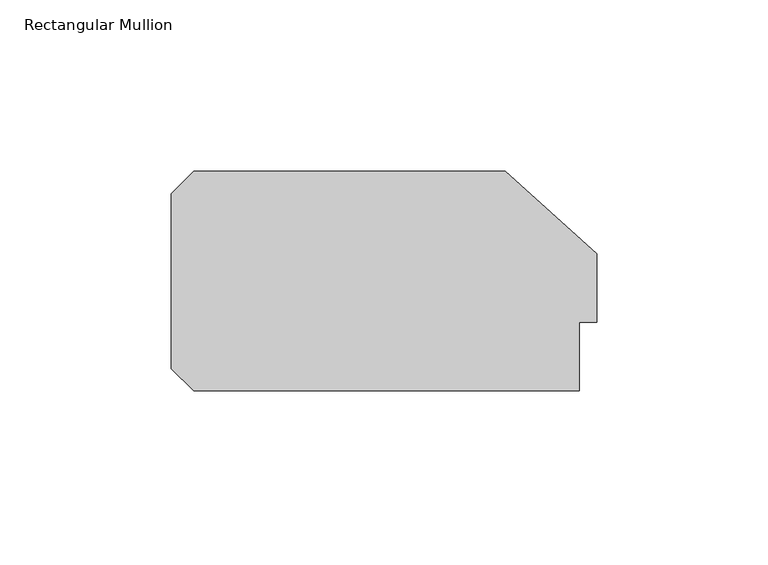
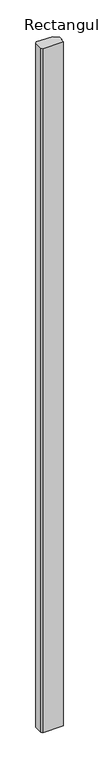
"""IFC4 building model written with IfcOpenShell, lengths in millimetres: member geometry, Rectangular Mullion."""

from ifc_helpers import new_model, si_unit, frame, origin, place, context, project, spatial, polyline, outline, extrude, source, transform, mapped, element, save


def rectangular_mullion_727b57f1(model_context):
    return source(origin(), model_context, "Body", "SweptSolid", [
        extrude(outline(polyline([(-5.0, 20.0), (-5.0, 0.0), (-117.5, 0.0), (-124.0, 6.5), (-124.0, 57.5), (-117.5, 64.0), (-26.6547004, 64.0), (0.0, 40.0), (0.0, 20.0), (-5.0, 20.0)])), frame((0.0, 0.0, -4000.0), z_axis=(0.0, 0.0, 1.0), x_axis=(1.0, 0.0, 0.0)), (0.0, 0.0, 1.0), 4000.0),
    ])


if __name__ == "__main__":
    model = new_model("IFC4")
    model_context = context("Model", 3, world=origin())
    ifc_project = project(units=[si_unit("LENGTHUNIT", "METRE", prefix="MILLI")], contexts=[model_context])
    site = spatial("IfcSite", under=ifc_project)
    building = spatial("IfcBuilding", under=site)
    placement = place(None, origin())
    rectangular_mullion_shape = rectangular_mullion_727b57f1(model_context)
    element("IfcMember", 1, ObjectType="Rectangular Mullion", at=placement, inside=building, context=model_context, shape_type="MappedRepresentation", body=[
        mapped(rectangular_mullion_shape, transform((0.0, 0.0, 0.0), x_axis=(1.0, 0.0, 0.0), y_axis=(0.0, 1.0, 0.0), z_axis=(0.0, 0.0, 1.0))),
    ])
    save(model, "model.ifc")
